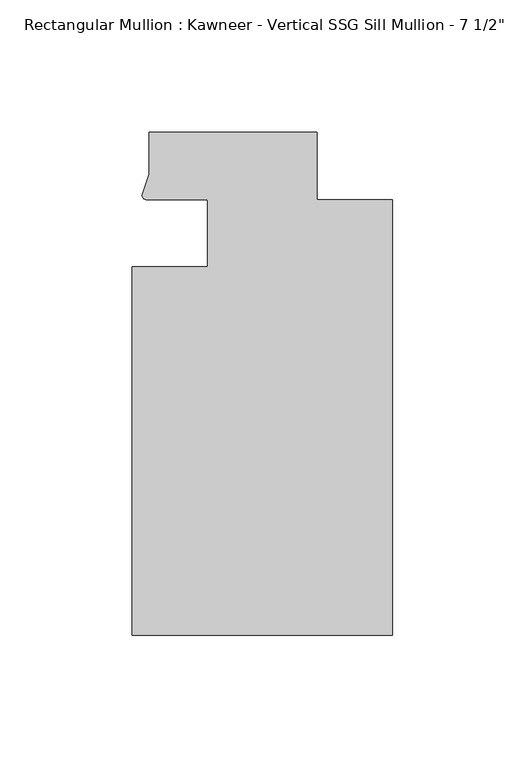
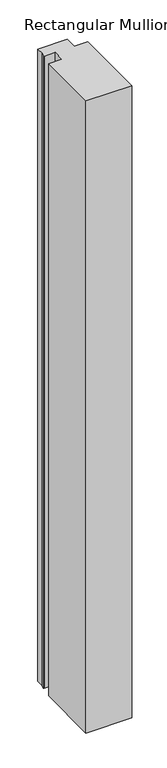
"""IFC4 building model written with IfcOpenShell, lengths in millimetres: member geometry."""

from ifc_helpers import new_model, si_unit, point, frame, frame_2d, origin, place, context, project, spatial, polyline, circle_curve, trimmed, segment, composite_curve, outline, extrude, source, transform, mapped, element, save


def member_dd1d5874(model_context):
    return source(origin(), model_context, "Body", "SweptSolid", [
        extrude(outline(composite_curve([segment(polyline([(-69.85, -12.7), (-69.85, 12.700061), (-93.1091288, 12.700061)]), True, "CONTINUOUS"), segment(trimmed(circle_curve(frame_2d((-93.0262373, 14.401412)), 1.703369), [point((-93.1091288, 12.700061))], [point((-94.7258552, 14.2884292))], False, "CARTESIAN"), True, "CONTINUOUS"), segment(polyline([(-94.7258552, 14.2884292), (-92.075, 22.2250977), (-92.075, 38.1), (-28.575, 38.1), (-28.575, 12.7), (0.0, 12.7), (0.0, -151.892), (-98.425, -151.892), (-98.425, -12.7), (-69.85, -12.7)]), True, "CONTINUOUS")], self_intersect=False)), frame((0.0, 0.0, -1437.2055615), z_axis=(0.0, 0.0, 1.0), x_axis=(1.0, 0.0, 0.0)), (0.0, 0.0, 1.0), 1437.2055615),
    ])


if __name__ == "__main__":
    model = new_model("IFC4")
    model_context = context("Model", 3, world=origin())
    ifc_project = project(units=[si_unit("LENGTHUNIT", "METRE", prefix="MILLI")], contexts=[model_context])
    site = spatial("IfcSite", under=ifc_project)
    building = spatial("IfcBuilding", under=site)
    placement = place(None, origin())
    member_shape = member_dd1d5874(model_context)
    element("IfcMember", 1, ObjectType="Rectangular Mullion : Kawneer - Vertical SSG Sill Mullion - 7 1/2\"", at=placement, inside=building, context=model_context, shape_type="MappedRepresentation", body=[
        mapped(member_shape, transform((0.0, 0.0, 0.0), x_axis=(1.0, 0.0, 0.0), y_axis=(0.0, 1.0, 0.0), z_axis=(0.0, 0.0, 1.0))),
    ])
    save(model, "model.ifc")
